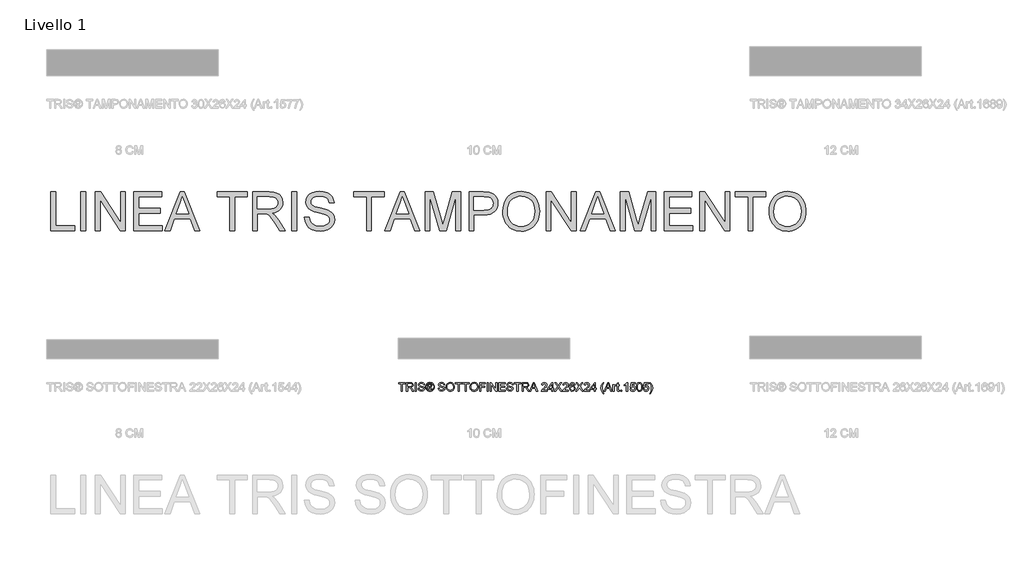
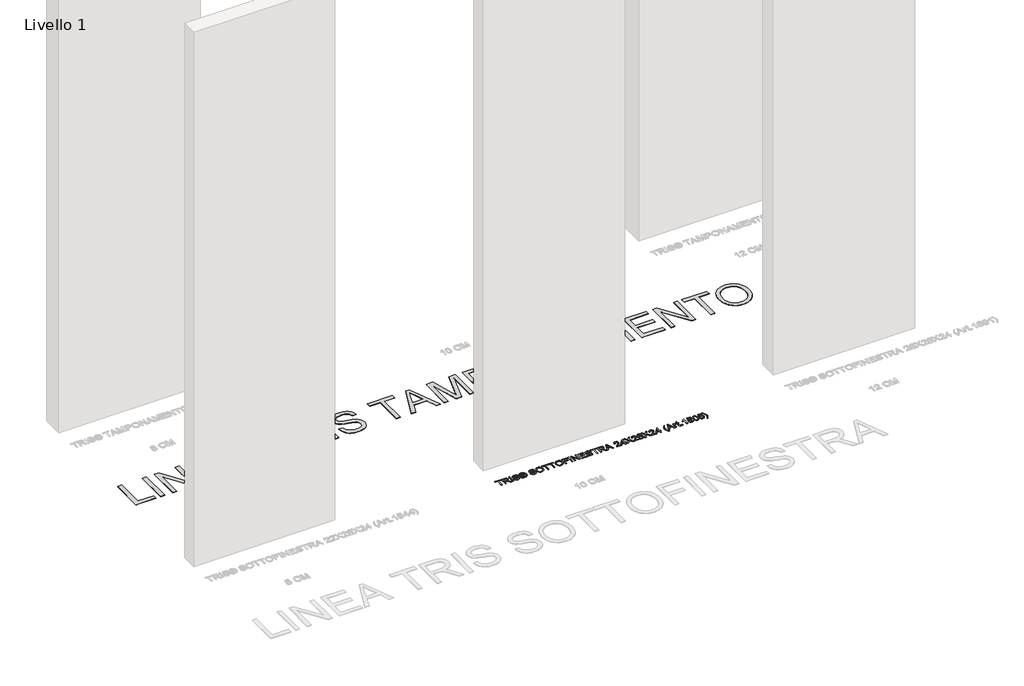
# One storey, part 7 of 16: 2 proxies.
"""IFC4 building model written with IfcOpenShell, lengths in millimetres."""

from ifc_helpers import new_model, si_unit, origin, origin_with_axes, place, context, project, spatial, polyline, outline, extrude, element, save

model = new_model("IFC4")

# Units and contexts
model_context = context("Model", 3, world=origin())
ifc_project = project(units=[si_unit("LENGTHUNIT", "METRE", prefix="MILLI")], contexts=[model_context])

# Site, building, storey
site = spatial("IfcSite", under=ifc_project)
building = spatial("IfcBuilding", under=site)
storey = spatial("IfcBuildingStorey", under=building, Name="Livello 1", Elevation=0.0)

# Proxies
placement = place(None, origin())
element("IfcBuildingElementProxy", 1, Name="100", ObjectType="100", at=placement, inside=storey, context=model_context, shape_type="SweptSolid", body=[
    extrude(outline(polyline([(-1474.7353997, 1459.0708569), (-1474.7353997, 1546.9701283), (-1507.6976265, 1546.9701283), (-1507.6976265, 1559.527167), (-1429.2161342, 1559.527167), (-1429.2161342, 1546.9701283), (-1462.1783609, 1546.9701283), (-1462.1783609, 1459.0708569), (-1474.7353997, 1459.0708569)])), origin_with_axes(), (0.0, 0.0, 1.0), 5.0),
    extrude(outline(polyline([(-1415.0894655, 1459.0708569), (-1415.0894655, 1559.527167), (-1371.8020174, 1559.527167), (-1351.7033978, 1556.817103), (-1340.7159888, 1547.2276457), (-1336.6079732, 1532.0341193), (-1338.3094275, 1522.1380936), (-1343.4137901, 1513.9343251), (-1352.0743454, 1507.9194545), (-1364.4443775, 1504.5901224), (-1357.3074668, 1499.2190453), (-1347.1293983, 1486.2941245), (-1330.3785048, 1459.0708569), (-1344.9711573, 1459.0708569), (-1358.0432308, 1479.8929778), (-1367.4855354, 1493.6762899), (-1374.119674, 1500.1878012), (-1380.0916251, 1502.5790342), (-1387.3756886, 1503.0204926), (-1402.5324268, 1503.0204926), (-1402.5324268, 1459.0708569), (-1415.0894655, 1459.0708569)]), holes=[polyline([(-1402.5324268, 1515.5775314), (-1374.4262423, 1515.5775314), (-1360.0911073, 1517.3556277), (-1351.9486524, 1523.0455359), (-1349.165012, 1531.5681354), (-1354.4747755, 1542.6291207), (-1371.2624572, 1546.9701283), (-1402.5324268, 1546.9701283), (-1402.5324268, 1515.5775314)])]), origin_with_axes(), (0.0, 0.0, 1.0), 5.0),
    extrude(outline(polyline([(-1313.0635255, 1459.0708569), (-1313.0635255, 1559.527167), (-1300.5064868, 1559.527167), (-1300.5064868, 1459.0708569), (-1313.0635255, 1459.0708569)])), origin_with_axes(), (0.0, 0.0, 1.0), 5.0),
    extrude(outline(polyline([(-1280.1012988, 1493.6027135), (-1267.54426, 1493.6027135), (-1263.4975581, 1481.033412), (-1253.6137951, 1473.0871609), (-1238.5551588, 1470.0582658), (-1225.4340343, 1472.3513969), (-1216.9604857, 1478.6544418), (-1214.1768452, 1487.0789395), (-1216.2615099, 1494.914826), (-1224.7963722, 1500.6169969), (-1243.0801073, 1505.4117256), (-1262.7617941, 1511.6044058), (-1273.4426347, 1520.9486085), (-1276.9620391, 1533.4320709), (-1272.6087688, 1547.6445786), (-1259.8923145, 1557.6754943), (-1241.2774856, 1561.0967969), (-1221.4118578, 1557.5160788), (-1208.168106, 1546.9946537), (-1203.1894363, 1531.2738298), (-1215.7464751, 1531.2738298), (-1218.0518689, 1538.7663598), (-1222.8588603, 1544.1742251), (-1240.7869762, 1548.5397581), (-1258.7641431, 1544.2232761), (-1264.4050003, 1533.7999529), (-1260.4073493, 1525.0934123), (-1239.9040594, 1518.0791289), (-1217.6839869, 1511.7760841), (-1205.5316184, 1501.5980155), (-1201.6198065, 1487.3977705), (-1206.1202295, 1472.3759224), (-1219.0696758, 1461.4130389), (-1238.0646495, 1457.5012271), (-1260.4931884, 1461.7196073), (-1274.6811707, 1474.4237988), (-1280.1012988, 1493.6027135)])), origin_with_axes(), (0.0, 0.0, 1.0), 5.0),
    extrude(outline(polyline([(-1165.51832, 1477.9064151), (-1165.51832, 1540.6916089), (-1145.2357593, 1540.6916089), (-1130.177123, 1538.9625635), (-1122.7581694, 1532.9292988), (-1119.9990545, 1523.7690371), (-1124.7569949, 1511.8496605), (-1137.3630846, 1506.1597523), (-1132.4579914, 1502.8242889), (-1123.8986036, 1490.2917756), (-1116.8597948, 1477.9064151), (-1127.4547962, 1477.9064151), (-1132.9730262, 1487.8637544), (-1142.219127, 1502.2847286), (-1150.2389545, 1504.5901224), (-1156.1005409, 1504.5901224), (-1156.1005409, 1477.9064151), (-1165.51832, 1477.9064151)]), holes=[polyline([(-1156.1005409, 1514.0079015), (-1144.1811643, 1514.0079015), (-1132.5315678, 1516.3991345), (-1129.4168336, 1522.7389675), (-1130.912887, 1527.3007043), (-1135.0699535, 1530.2928112), (-1144.9414537, 1531.2738298), (-1156.1005409, 1531.2738298), (-1156.1005409, 1514.0079015)])]), origin_with_axes(), (0.0, 0.0, 1.0), 5.0),
    extrude(outline(polyline([(-1141.9493469, 1561.0967969), (-1129.0550829, 1559.4229338), (-1116.4673873, 1554.4013446), (-1105.4094677, 1546.2650211), (-1097.1045316, 1535.2469554), (-1091.9081985, 1522.5243697), (-1090.1760874, 1509.2744865), (-1091.883673, 1496.1410993), (-1097.0064298, 1483.5227468), (-1105.2101983, 1472.544535), (-1116.160819, 1464.3315694), (-1128.7699744, 1459.2088126), (-1141.9493469, 1457.5012271), (-1155.1103252, 1459.2088126), (-1167.7133493, 1464.3315694), (-1178.673167, 1472.544535), (-1186.9045267, 1483.5227468), (-1192.0548746, 1496.1410993), (-1193.7716572, 1509.2744865), (-1192.0303491, 1522.5243697), (-1186.8064248, 1535.2469554), (-1178.4738976, 1546.2650211), (-1167.4067809, 1554.4013446), (-1154.8252167, 1559.4229338), (-1141.9493469, 1561.0967969)]), holes=[polyline([(-1141.9493469, 1551.6790178), (-1162.7714678, 1546.1975761), (-1171.7999051, 1539.5358463), (-1178.6271818, 1530.5135404), (-1184.3538782, 1509.2744865), (-1178.7375464, 1488.2193737), (-1163.0167224, 1472.5353379), (-1141.9493469, 1466.9190061), (-1120.8697085, 1472.5353379), (-1105.1856728, 1488.2193737), (-1099.5938665, 1509.2744865), (-1105.2837747, 1530.5135404), (-1112.0926573, 1539.5358463), (-1121.1394887, 1546.1975761), (-1141.9493469, 1551.6790178)])]), origin_with_axes(), (0.0, 0.0, 1.0), 5.0),
    extrude(outline(polyline([(-1044.6568219, 1493.6027135), (-1032.0997831, 1493.6027135), (-1028.0530811, 1481.033412), (-1018.1693182, 1473.0871609), (-1003.1106819, 1470.0582658), (-989.9895574, 1472.3513969), (-981.5160088, 1478.6544418), (-978.7323683, 1487.0789395), (-980.817033, 1494.914826), (-989.3518953, 1500.6169969), (-1007.6356304, 1505.4117256), (-1027.3173172, 1511.6044058), (-1037.9981578, 1520.9486085), (-1041.5175622, 1533.4320709), (-1037.1642919, 1547.6445786), (-1024.4478376, 1557.6754943), (-1005.8330086, 1561.0967969), (-985.9673809, 1557.5160788), (-972.7236291, 1546.9946537), (-967.7449594, 1531.2738298), (-980.3019982, 1531.2738298), (-982.607392, 1538.7663598), (-987.4143834, 1544.1742251), (-1005.3424993, 1548.5397581), (-1023.3196661, 1544.2232761), (-1028.9605234, 1533.7999529), (-1024.9628724, 1525.0934123), (-1004.4595825, 1518.0791289), (-982.23951, 1511.7760841), (-970.0871414, 1501.5980155), (-966.1753296, 1487.3977705), (-970.6757526, 1472.3759224), (-983.6251989, 1461.4130389), (-1002.6201725, 1457.5012271), (-1025.0487115, 1461.7196073), (-1039.2366938, 1474.4237988), (-1044.6568219, 1493.6027135)])), origin_with_axes(), (0.0, 0.0, 1.0), 5.0),
    extrude(outline(polyline([(-952.0486609, 1507.9746368), (-948.7009348, 1530.1885779), (-938.6577563, 1546.9946537), (-923.3232085, 1557.5712611), (-904.1013742, 1561.0967969), (-890.9250674, 1559.4413279), (-879.109924, 1554.474921), (-869.2997375, 1546.547064), (-862.1383013, 1536.0072448), (-857.7605056, 1523.3643669), (-856.3012403, 1509.1273337), (-857.8371477, 1494.7002281), (-862.4448697, 1481.8795406), (-869.8699546, 1471.3213273), (-879.8579508, 1463.6816446), (-891.5719266, 1459.0463314), (-904.1749506, 1457.5012271), (-917.5535925, 1459.2088126), (-929.436181, 1464.3315694), (-939.221842, 1472.4065792), (-946.3097018, 1482.9709239), (-952.0486609, 1507.9746368)]), holes=[polyline([(-939.4916222, 1507.8520095), (-936.9808276, 1492.1373169), (-929.4484437, 1480.162758), (-918.1268753, 1472.5843889), (-904.248527, 1470.0582658), (-890.1678437, 1472.6089143), (-878.8278812, 1480.2608598), (-871.3506796, 1492.6033008), (-868.8582791, 1509.2254356), (-873.1257102, 1529.9494546), (-885.5969099, 1543.6714531), (-904.0277978, 1548.5397581), (-917.5351984, 1546.1945104), (-929.019248, 1539.1587672), (-936.8735286, 1526.6415824), (-939.4916222, 1507.8520095)])]), origin_with_axes(), (0.0, 0.0, 1.0), 5.0),
    extrude(outline(polyline([(-813.9212345, 1459.0708569), (-813.9212345, 1546.9701283), (-846.8834613, 1546.9701283), (-846.8834613, 1559.527167), (-768.401969, 1559.527167), (-768.401969, 1546.9701283), (-801.3641957, 1546.9701283), (-801.3641957, 1459.0708569), (-813.9212345, 1459.0708569)])), origin_with_axes(), (0.0, 0.0, 1.0), 5.0),
    extrude(outline(polyline([(-729.1612228, 1459.0708569), (-729.1612228, 1546.9701283), (-762.1234496, 1546.9701283), (-762.1234496, 1559.527167), (-683.6419573, 1559.527167), (-683.6419573, 1546.9701283), (-716.604184, 1546.9701283), (-716.604184, 1459.0708569), (-729.1612228, 1459.0708569)])), origin_with_axes(), (0.0, 0.0, 1.0), 5.0),
    extrude(outline(polyline([(-674.2241782, 1507.9746368), (-670.876452, 1530.1885779), (-660.8332736, 1546.9946537), (-645.4987257, 1557.5712611), (-626.2768915, 1561.0967969), (-613.1005847, 1559.4413279), (-601.2854413, 1554.474921), (-591.4752547, 1546.547064), (-584.3138186, 1536.0072448), (-579.9360228, 1523.3643669), (-578.4767576, 1509.1273337), (-580.0126649, 1494.7002281), (-584.6203869, 1481.8795406), (-592.0454718, 1471.3213273), (-602.033468, 1463.6816446), (-613.7474439, 1459.0463314), (-626.3504679, 1457.5012271), (-639.7291098, 1459.2088126), (-651.6116982, 1464.3315694), (-661.3973593, 1472.4065792), (-668.4852191, 1482.9709239), (-674.2241782, 1507.9746368)]), holes=[polyline([(-661.6671394, 1507.8520095), (-659.1563448, 1492.1373169), (-651.6239609, 1480.162758), (-640.3023925, 1472.5843889), (-626.4240443, 1470.0582658), (-612.3433609, 1472.6089143), (-601.0033984, 1480.2608598), (-593.5261969, 1492.6033008), (-591.0337963, 1509.2254356), (-595.3012275, 1529.9494546), (-607.7724271, 1543.6714531), (-626.2033151, 1548.5397581), (-639.7107157, 1546.1945104), (-651.1947653, 1539.1587672), (-659.0490459, 1526.6415824), (-661.6671394, 1507.8520095)])]), origin_with_axes(), (0.0, 0.0, 1.0), 5.0),
    extrude(outline(polyline([(-561.2108293, 1459.0708569), (-561.2108293, 1559.527167), (-493.7167459, 1559.527167), (-493.7167459, 1546.9701283), (-548.6537905, 1546.9701283), (-548.6537905, 1517.1471612), (-501.5648951, 1517.1471612), (-501.5648951, 1504.5901224), (-548.6537905, 1504.5901224), (-548.6537905, 1459.0708569), (-561.2108293, 1459.0708569)])), origin_with_axes(), (0.0, 0.0, 1.0), 5.0),
    extrude(outline(polyline([(-474.8811877, 1459.0708569), (-474.8811877, 1559.527167), (-462.324149, 1559.527167), (-462.324149, 1459.0708569), (-474.8811877, 1459.0708569)])), origin_with_axes(), (0.0, 0.0, 1.0), 5.0),
    extrude(outline(polyline([(-437.2100714, 1459.0708569), (-437.2100714, 1559.527167), (-423.7701159, 1559.527167), (-371.2856179, 1479.9420288), (-371.2856179, 1559.527167), (-358.7285791, 1559.527167), (-358.7285791, 1459.0708569), (-372.1685347, 1459.0708569), (-424.6530327, 1538.6805207), (-424.6530327, 1459.0708569), (-437.2100714, 1459.0708569)])), origin_with_axes(), (0.0, 0.0, 1.0), 5.0),
    extrude(outline(polyline([(-336.7537613, 1459.0708569), (-336.7537613, 1559.527167), (-264.5507884, 1559.527167), (-264.5507884, 1546.9701283), (-324.1967225, 1546.9701283), (-324.1967225, 1517.1471612), (-267.690048, 1517.1471612), (-267.690048, 1504.5901224), (-324.1967225, 1504.5901224), (-324.1967225, 1471.6278957), (-262.9811585, 1471.6278957), (-262.9811585, 1459.0708569), (-336.7537613, 1459.0708569)])), origin_with_axes(), (0.0, 0.0, 1.0), 5.0),
    extrude(outline(polyline([(-248.8544899, 1493.6027135), (-236.2974511, 1493.6027135), (-232.2507492, 1481.033412), (-222.3669862, 1473.0871609), (-207.3083499, 1470.0582658), (-194.1872254, 1472.3513969), (-185.7136768, 1478.6544418), (-182.9300364, 1487.0789395), (-185.014701, 1494.914826), (-193.5495633, 1500.6169969), (-211.8332984, 1505.4117256), (-231.5149852, 1511.6044058), (-242.1958258, 1520.9486085), (-245.7152302, 1533.4320709), (-241.3619599, 1547.6445786), (-228.6455056, 1557.6754943), (-210.0306767, 1561.0967969), (-190.1650489, 1557.5160788), (-176.9212971, 1546.9946537), (-171.9426274, 1531.2738298), (-184.4996662, 1531.2738298), (-186.80506, 1538.7663598), (-191.6120514, 1544.1742251), (-209.5401673, 1548.5397581), (-227.5173342, 1544.2232761), (-233.1581914, 1533.7999529), (-229.1605404, 1525.0934123), (-208.6572506, 1518.0791289), (-186.437178, 1511.7760841), (-174.2848095, 1501.5980155), (-170.3729976, 1487.3977705), (-174.8734207, 1472.3759224), (-187.8228669, 1461.4130389), (-206.8178406, 1457.5012271), (-229.2463796, 1461.7196073), (-243.4343618, 1474.4237988), (-248.8544899, 1493.6027135)])), origin_with_axes(), (0.0, 0.0, 1.0), 5.0),
    extrude(outline(polyline([(-126.4233619, 1459.0708569), (-126.4233619, 1546.9701283), (-159.3855887, 1546.9701283), (-159.3855887, 1559.527167), (-80.9040964, 1559.527167), (-80.9040964, 1546.9701283), (-113.8663231, 1546.9701283), (-113.8663231, 1459.0708569), (-126.4233619, 1459.0708569)])), origin_with_axes(), (0.0, 0.0, 1.0), 5.0),
    extrude(outline(polyline([(-66.7774278, 1459.0708569), (-66.7774278, 1559.527167), (-23.4899797, 1559.527167), (-3.39136, 1556.817103), (7.5960489, 1547.2276457), (11.7040646, 1532.0341193), (10.0026103, 1522.1380936), (4.8982476, 1513.9343251), (-3.7623077, 1507.9194545), (-16.1323397, 1504.5901224), (-8.995429, 1499.2190453), (1.1826395, 1486.2941245), (17.933533, 1459.0708569), (3.3408805, 1459.0708569), (-9.731193, 1479.8929778), (-19.1734976, 1493.6762899), (-25.8076362, 1500.1878012), (-31.7795873, 1502.5790342), (-39.0636508, 1503.0204926), (-54.220389, 1503.0204926), (-54.220389, 1459.0708569), (-66.7774278, 1459.0708569)]), holes=[polyline([(-54.220389, 1515.5775314), (-26.1142046, 1515.5775314), (-11.7790695, 1517.3556277), (-3.6366146, 1523.0455359), (-0.8529742, 1531.5681354), (-6.1627377, 1542.6291207), (-22.9504194, 1546.9701283), (-54.220389, 1546.9701283), (-54.220389, 1515.5775314)])]), origin_with_axes(), (0.0, 0.0, 1.0), 5.0),
    extrude(outline(polyline([(21.980235, 1459.0708569), (62.0793724, 1559.527167), (72.7724758, 1559.527167), (112.8716132, 1459.0708569), (99.6033359, 1459.0708569), (88.1008922, 1490.4634538), (46.7264305, 1490.4634538), (35.2485122, 1459.0708569), (21.980235, 1459.0708569)]), holes=[polyline([(51.3372182, 1503.0204926), (83.51463, 1503.0204926), (74.4647329, 1527.7176372), (67.4259241, 1546.9701283), (61.1719302, 1529.8758782), (51.3372182, 1503.0204926)])]), origin_with_axes(), (0.0, 0.0, 1.0), 5.0),
    extrude(outline(polyline([(225.1737236, 1471.6278957), (225.1737236, 1459.0708569), (159.2492701, 1459.0708569), (160.5981707, 1467.7283465), (168.2255908, 1481.0579375), (183.9464147, 1495.6138018), (205.6269269, 1516.5340245), (211.047055, 1530.758795), (205.9334953, 1542.2735015), (192.5793788, 1546.9701283), (178.6611767, 1542.3838661), (173.3759387, 1529.7042), (160.8188999, 1531.2738298), (163.8631234, 1543.420067), (170.4451455, 1552.2921545), (180.2216095, 1557.7184139), (192.849159, 1559.527167), (205.568679, 1557.5160788), (215.3267489, 1551.4828141), (221.5347576, 1542.4697052), (223.6040938, 1531.5190845), (221.3722763, 1519.6119706), (213.9533228, 1507.3001865), (195.9638932, 1490.0955718), (181.5183935, 1478.0167797), (175.8530108, 1471.6278957), (225.1737236, 1471.6278957)])), origin_with_axes(), (0.0, 0.0, 1.0), 5.0),
    extrude(outline(polyline([(278.5411384, 1459.0708569), (278.5411384, 1482.6153046), (233.0218729, 1482.6153046), (233.0218729, 1495.1723434), (281.6803981, 1557.9575372), (291.0981772, 1557.9575372), (291.0981772, 1495.1723434), (303.6552159, 1495.1723434), (303.6552159, 1482.6153046), (291.0981772, 1482.6153046), (291.0981772, 1459.0708569), (278.5411384, 1459.0708569)]), holes=[polyline([(278.5411384, 1495.1723434), (278.5411384, 1533.9716311), (248.4729166, 1495.1723434), (278.5411384, 1495.1723434)])]), origin_with_axes(), (0.0, 0.0, 1.0), 5.0),
    extrude(outline(polyline([(308.3641055, 1459.0708569), (347.0898168, 1513.8116978), (314.6426248, 1559.527167), (329.7012612, 1559.527167), (347.9727336, 1533.7999529), (354.1286257, 1523.7690371), (361.3391128, 1533.9716311), (379.4143815, 1559.527167), (394.693747, 1559.527167), (362.246555, 1513.664545), (400.9722664, 1459.0708569), (385.91363, 1459.0708569), (360.1128395, 1495.466649), (354.7417623, 1503.0204926), (348.8311249, 1494.730885), (323.643471, 1459.0708569), (308.3641055, 1459.0708569)])), origin_with_axes(), (0.0, 0.0, 1.0), 5.0),
    extrude(outline(polyline([(473.1752393, 1471.6278957), (473.1752393, 1459.0708569), (407.2507858, 1459.0708569), (408.5996864, 1467.7283465), (416.2271065, 1481.0579375), (431.9479304, 1495.6138018), (453.6284426, 1516.5340245), (459.0485707, 1530.758795), (453.935011, 1542.2735015), (440.5808945, 1546.9701283), (426.6626924, 1542.3838661), (421.3774544, 1529.7042), (408.8204156, 1531.2738298), (411.8646391, 1543.420067), (418.4466612, 1552.2921545), (428.2231252, 1557.7184139), (440.8506747, 1559.527167), (453.5701946, 1557.5160788), (463.3282646, 1551.4828141), (469.5362732, 1542.4697052), (471.6056095, 1531.5190845), (469.373792, 1519.6119706), (461.9548385, 1507.3001865), (443.9654089, 1490.0955718), (429.5199092, 1478.0167797), (423.8545265, 1471.6278957), (473.1752393, 1471.6278957)])), origin_with_axes(), (0.0, 0.0, 1.0), 5.0),
    extrude(outline(polyline([(550.0871018, 1532.8434597), (537.530063, 1531.2738298), (532.7721225, 1541.7462039), (520.1905583, 1546.9701283), (508.8597928, 1543.9289705), (500.2881423, 1532.5123659), (496.719687, 1510.1328778), (507.792935, 1520.1515308), (521.5149335, 1523.4256806), (533.1154791, 1521.1877318), (542.8520892, 1514.4738854), (549.455571, 1504.2161091), (551.6567316, 1491.3463706), (547.5119278, 1474.0191286), (536.1075859, 1461.7563955), (519.650998, 1457.5012271), (505.4047678, 1460.3216557), (494.0586739, 1468.7829416), (486.6366546, 1483.7189506), (484.1626482, 1505.9635486), (486.9095005, 1530.9733929), (495.1500571, 1548.0737743), (506.4011148, 1556.6638189), (520.9753732, 1559.527167), (531.993439, 1557.7552021), (540.8164755, 1552.4393073), (546.996893, 1543.9964155), (550.0871018, 1532.8434597)]), holes=[polyline([(496.719687, 1491.5425743), (499.6259548, 1480.66553), (507.3514767, 1472.7683299), (518.6699794, 1470.0582658), (526.9565213, 1471.4623488), (533.4710983, 1475.6745976), (537.6925442, 1482.2964735), (539.0996928, 1490.9294377), (537.7109383, 1499.2159796), (533.5446747, 1505.5343529), (526.9197331, 1509.5350696), (518.1549446, 1510.8686418), (502.9614182, 1505.5343529), (498.2801198, 1499.3692638), (496.719687, 1491.5425743)])]), origin_with_axes(), (0.0, 0.0, 1.0), 5.0),
    extrude(outline(polyline([(556.3656211, 1459.0708569), (595.0913325, 1513.8116978), (562.6441405, 1559.527167), (577.7027769, 1559.527167), (595.9742493, 1533.7999529), (602.1301413, 1523.7690371), (609.3406285, 1533.9716311), (627.4158971, 1559.527167), (642.6952627, 1559.527167), (610.2480707, 1513.664545), (648.9737821, 1459.0708569), (633.9151457, 1459.0708569), (608.1143551, 1495.466649), (602.743278, 1503.0204926), (596.8326406, 1494.730885), (571.6449867, 1459.0708569), (556.3656211, 1459.0708569)])), origin_with_axes(), (0.0, 0.0, 1.0), 5.0),
    extrude(outline(polyline([(721.176755, 1471.6278957), (721.176755, 1459.0708569), (655.2523014, 1459.0708569), (656.6012021, 1467.7283465), (664.2286221, 1481.0579375), (679.9494461, 1495.6138018), (701.6299583, 1516.5340245), (707.0500864, 1530.758795), (701.9365266, 1542.2735015), (688.5824102, 1546.9701283), (674.6642081, 1542.3838661), (669.3789701, 1529.7042), (656.8219313, 1531.2738298), (659.8661548, 1543.420067), (666.4481768, 1552.2921545), (676.2246409, 1557.7184139), (688.8521903, 1559.527167), (701.5717103, 1557.5160788), (711.3297802, 1551.4828141), (717.5377889, 1542.4697052), (719.6071251, 1531.5190845), (717.3753077, 1519.6119706), (709.9563541, 1507.3001865), (691.9669246, 1490.0955718), (677.5214249, 1478.0167797), (671.8560422, 1471.6278957), (721.176755, 1471.6278957)])), origin_with_axes(), (0.0, 0.0, 1.0), 5.0),
    extrude(outline(polyline([(774.5441698, 1459.0708569), (774.5441698, 1482.6153046), (729.0249042, 1482.6153046), (729.0249042, 1495.1723434), (777.6834294, 1557.9575372), (787.1012085, 1557.9575372), (787.1012085, 1495.1723434), (799.6582473, 1495.1723434), (799.6582473, 1482.6153046), (787.1012085, 1482.6153046), (787.1012085, 1459.0708569), (774.5441698, 1459.0708569)]), holes=[polyline([(774.5441698, 1495.1723434), (774.5441698, 1533.9716311), (744.475948, 1495.1723434), (774.5441698, 1495.1723434)])]), origin_with_axes(), (0.0, 0.0, 1.0), 5.0),
    extrude(outline(polyline([(878.1397396, 1430.8175197), (860.3097256, 1460.2726048), (854.8466779, 1477.4526939), (853.0256621, 1495.2459198), (858.4703156, 1525.7801254), (878.1397396, 1559.527167), (887.5575187, 1559.527167), (875.8098203, 1539.6370138), (868.746486, 1520.3599973), (865.5827008, 1495.1723434), (871.0764053, 1462.9826688), (887.5575187, 1430.8175197), (878.1397396, 1430.8175197)])), origin_with_axes(), (0.0, 0.0, 1.0), 5.0),
    extrude(outline(polyline([(889.9855398, 1459.0708569), (930.0846773, 1559.527167), (940.7777806, 1559.527167), (980.8769181, 1459.0708569), (967.6086408, 1459.0708569), (956.1061971, 1490.4634538), (914.7317354, 1490.4634538), (903.2538171, 1459.0708569), (889.9855398, 1459.0708569)]), holes=[polyline([(919.3425231, 1503.0204926), (951.5199349, 1503.0204926), (942.4700378, 1527.7176372), (935.431229, 1546.9701283), (929.1772351, 1529.8758782), (919.3425231, 1503.0204926)])]), origin_with_axes(), (0.0, 0.0, 1.0), 5.0),
    extrude(outline(polyline([(992.7227184, 1459.0708569), (992.7227184, 1532.8434597), (1003.7101273, 1532.8434597), (1003.7101273, 1521.9296271), (1011.5092256, 1531.9850683), (1019.3573748, 1534.4130895), (1031.9634645, 1530.5380658), (1027.7696098, 1519.2808768), (1018.9404419, 1521.8560507), (1011.8403194, 1519.3789786), (1007.3153708, 1512.5118481), (1005.2797571, 1497.8456192), (1005.2797571, 1459.0708569), (992.7227184, 1459.0708569)])), origin_with_axes(), (0.0, 0.0, 1.0), 5.0),
    extrude(outline(polyline([(1066.4953211, 1469.543231), (1068.064951, 1458.7029749), (1058.6716974, 1457.5012271), (1048.1502723, 1459.5858917), (1042.9018225, 1465.0550707), (1041.3812436, 1479.3043666), (1041.3812436, 1520.2864209), (1031.9634645, 1520.2864209), (1031.9634645, 1532.8434597), (1041.3812436, 1532.8434597), (1041.3812436, 1550.7715756), (1053.9382824, 1558.1537409), (1053.9382824, 1532.8434597), (1066.4953211, 1532.8434597), (1066.4953211, 1520.2864209), (1053.9382824, 1520.2864209), (1053.9382824, 1479.6722486), (1054.6004699, 1473.1975255), (1056.7464483, 1470.9043944), (1061.0261421, 1470.0582658), (1066.4953211, 1469.543231)])), origin_with_axes(), (0.0, 0.0, 1.0), 5.0),
    extrude(outline(polyline([(1082.1916196, 1459.0708569), (1082.1916196, 1471.6278957), (1094.7486584, 1471.6278957), (1094.7486584, 1459.0708569), (1082.1916196, 1459.0708569)])), origin_with_axes(), (0.0, 0.0, 1.0), 5.0),
    extrude(outline(polyline([(1162.2427417, 1459.0708569), (1149.685703, 1459.0708569), (1149.685703, 1537.3561455), (1137.7908518, 1528.8825969), (1124.5716254, 1522.5427638), (1124.5716254, 1534.4130895), (1142.9779879, 1546.1607879), (1154.1493378, 1559.527167), (1162.2427417, 1559.527167), (1162.2427417, 1459.0708569)])), origin_with_axes(), (0.0, 0.0, 1.0), 5.0),
    extrude(outline(polyline([(1192.0657088, 1485.7545643), (1204.6227476, 1487.3241941), (1210.9503179, 1474.3870106), (1224.0714424, 1470.0582658), (1233.0722885, 1471.5635163), (1239.8167918, 1476.0792678), (1244.0290406, 1483.0843541), (1245.4331236, 1492.0576091), (1240.172411, 1506.9690927), (1233.5658636, 1511.0709769), (1224.2676461, 1512.4382717), (1213.243449, 1510.2555052), (1206.1923774, 1504.5901224), (1193.6353387, 1506.1597523), (1204.6227476, 1557.9575372), (1253.2812728, 1557.9575372), (1253.2812728, 1545.4004984), (1214.7762906, 1545.4004984), (1209.4052135, 1517.7357724), (1218.3754028, 1523.1804259), (1227.7747878, 1524.9953104), (1239.5071578, 1522.7450989), (1249.2468336, 1515.9944643), (1255.8043302, 1505.7060312), (1257.9901623, 1492.8424241), (1256.0219937, 1480.2853853), (1250.1174877, 1469.543231), (1238.8112477, 1460.511728), (1224.0223915, 1457.5012271), (1211.6891476, 1459.4356732), (1201.8636326, 1465.2390117), (1195.1283264, 1474.2367922), (1192.0657088, 1485.7545643)])), origin_with_axes(), (0.0, 0.0, 1.0), 5.0),
    extrude(outline(polyline([(1268.9775713, 1508.4896716), (1272.668654, 1537.3929337), (1283.6315374, 1554.0579881), (1301.939798, 1559.527167), (1316.6060269, 1556.2898055), (1326.7350445, 1546.9578655), (1332.6211564, 1532.0954329), (1334.9020248, 1508.4896716), (1331.2477303, 1479.7090368), (1320.3216351, 1463.0071942), (1312.0902754, 1458.8777189), (1301.939798, 1457.5012271), (1288.8922499, 1459.89246), (1278.9839615, 1467.0661589), (1271.4791688, 1484.0561757), (1268.9775713, 1508.4896716)]), holes=[polyline([(1281.53461, 1508.5141971), (1283.006138, 1488.7619996), (1287.420722, 1477.3300666), (1293.9935469, 1471.876216), (1301.939798, 1470.0582658), (1309.8860491, 1471.8823474), (1316.4588741, 1477.3545921), (1320.8734581, 1488.7926564), (1322.344986, 1508.5141971), (1320.922509, 1527.8218704), (1316.6550778, 1539.3427082), (1310.0945156, 1545.0632733), (1301.7926452, 1546.9701283), (1293.9322333, 1545.2901338), (1287.6169257, 1540.2501505), (1283.055189, 1528.0119428), (1281.53461, 1508.5141971)])]), origin_with_axes(), (0.0, 0.0, 1.0), 5.0),
    extrude(outline(polyline([(1345.8894337, 1485.7545643), (1358.4464725, 1487.3241941), (1364.7740428, 1474.3870106), (1377.8951673, 1470.0582658), (1386.8960135, 1471.5635163), (1393.6405167, 1476.0792678), (1397.8527655, 1483.0843541), (1399.2568485, 1492.0576091), (1393.996136, 1506.9690927), (1387.3895885, 1511.0709769), (1378.091371, 1512.4382717), (1367.0671739, 1510.2555052), (1360.0161023, 1504.5901224), (1347.4590636, 1506.1597523), (1358.4464725, 1557.9575372), (1407.1049977, 1557.9575372), (1407.1049977, 1545.4004984), (1368.6000156, 1545.4004984), (1363.2289384, 1517.7357724), (1372.1991277, 1523.1804259), (1381.5985127, 1524.9953104), (1393.3308827, 1522.7450989), (1403.0705585, 1515.9944643), (1409.6280551, 1505.7060312), (1411.8138873, 1492.8424241), (1409.8457186, 1480.2853853), (1403.9412126, 1469.543231), (1392.6349726, 1460.511728), (1377.8461164, 1457.5012271), (1365.5128725, 1459.4356732), (1355.6873575, 1465.2390117), (1348.9520513, 1474.2367922), (1345.8894337, 1485.7545643)])), origin_with_axes(), (0.0, 0.0, 1.0), 5.0),
    extrude(outline(polyline([(1429.0798156, 1430.8175197), (1419.6620365, 1430.8175197), (1436.1431499, 1462.9826688), (1441.6368543, 1495.1723434), (1438.4730692, 1520.1392681), (1431.4833113, 1539.4408101), (1419.6620365, 1559.527167), (1429.0798156, 1559.527167), (1448.7492396, 1525.7801254), (1454.1938931, 1495.2459198), (1452.3636802, 1477.4526939), (1446.8730414, 1460.2726048), (1429.0798156, 1430.8175197)])), origin_with_axes(), (0.0, 0.0, 1.0), 5.0),
])
element("IfcBuildingElementProxy", 2, Name="450mm", ObjectType="450mm", at=placement, inside=storey, context=model_context, shape_type="SweptSolid", body=[
    extrude(outline(polyline([(-5561.6557455, 3331.1409688), (-5561.6557455, 3780.7971116), (-5505.4487277, 3780.7971116), (-5505.4487277, 3387.3479867), (-5280.6206563, 3387.3479867), (-5280.6206563, 3331.1409688), (-5561.6557455, 3331.1409688)])), origin_with_axes(), (0.0, 0.0, 1.0), 5.0),
    extrude(outline(polyline([(-5210.361884, 3331.1409688), (-5210.361884, 3780.7971116), (-5154.1548661, 3780.7971116), (-5154.1548661, 3331.1409688), (-5210.361884, 3331.1409688)])), origin_with_axes(), (0.0, 0.0, 1.0), 5.0),
    extrude(outline(polyline([(-5041.7408304, 3331.1409688), (-5041.7408304, 3780.7971116), (-4981.5817566, 3780.7971116), (-4746.6539867, 3424.5631801), (-4746.6539867, 3780.7971116), (-4690.4469688, 3780.7971116), (-4690.4469688, 3331.1409688), (-4750.6060426, 3331.1409688), (-4985.5338125, 3687.4846796), (-4985.5338125, 3331.1409688), (-5041.7408304, 3331.1409688)])), origin_with_axes(), (0.0, 0.0, 1.0), 5.0),
    extrude(outline(polyline([(-4592.0846876, 3331.1409688), (-4592.0846876, 3780.7971116), (-4268.8943349, 3780.7971116), (-4268.8943349, 3724.5900938), (-4535.8776697, 3724.5900938), (-4535.8776697, 3591.0984264), (-4282.9460894, 3591.0984264), (-4282.9460894, 3534.8914085), (-4535.8776697, 3534.8914085), (-4535.8776697, 3387.3479867), (-4261.8684577, 3387.3479867), (-4261.8684577, 3331.1409688), (-4592.0846876, 3331.1409688)])), origin_with_axes(), (0.0, 0.0, 1.0), 5.0),
    extrude(outline(polyline([(-4229.9226722, 3331.1409688), (-4050.4334648, 3780.7971116), (-4002.5696761, 3780.7971116), (-3823.0804687, 3331.1409688), (-3882.4710872, 3331.1409688), (-3933.9575938, 3471.6585134), (-4119.1553264, 3471.6585134), (-4170.5320537, 3331.1409688), (-4229.9226722, 3331.1409688)]), holes=[polyline([(-4098.5168121, 3527.8655313), (-3954.4863288, 3527.8655313), (-3994.9949022, 3638.4133183), (-4026.5015704, 3724.5900938), (-4054.4953, 3648.0738995), (-4098.5168121, 3527.8655313)])]), origin_with_axes(), (0.0, 0.0, 1.0), 5.0),
    extrude(outline(polyline([(-3474.9702078, 3331.1409688), (-3474.9702078, 3724.5900938), (-3622.5136296, 3724.5900938), (-3622.5136296, 3780.7971116), (-3271.2197681, 3780.7971116), (-3271.2197681, 3724.5900938), (-3418.7631899, 3724.5900938), (-3418.7631899, 3331.1409688), (-3474.9702078, 3331.1409688)])), origin_with_axes(), (0.0, 0.0, 1.0), 5.0),
    extrude(outline(polyline([(-3207.986873, 3331.1409688), (-3207.986873, 3780.7971116), (-3014.2263524, 3780.7971116), (-2962.149782, 3777.7644576), (-2924.2621901, 3768.6664955), (-2896.5703537, 3751.8702577), (-2875.0810495, 3725.7427767), (-2861.2900209, 3693.3441515), (-2856.6930114, 3657.7344807), (-2858.5969967, 3634.6396538), (-2864.3089525, 3613.4385204), (-2873.828879, 3594.1310804), (-2887.156776, 3576.7173339), (-2904.4641737, 3561.7530387), (-2925.9226025, 3549.7939528), (-2951.5320622, 3540.8400761), (-2981.2925529, 3534.8914085), (-2949.3467674, 3510.8497349), (-2903.7883447, 3452.996027), (-2828.8090611, 3331.1409688), (-2894.1277635, 3331.1409688), (-2952.6401473, 3424.3436214), (-2994.9051901, 3486.0396059), (-3010.6173569, 3504.0296939), (-3024.6004993, 3515.1860185), (-3051.3317666, 3525.8895033), (-3083.9362281, 3527.8655313), (-3151.7798551, 3527.8655313), (-3151.7798551, 3331.1409688), (-3207.986873, 3331.1409688)]), holes=[polyline([(-3151.7798551, 3584.0725491), (-3025.9727409, 3584.0725491), (-2989.8416184, 3586.0622995), (-2961.8067215, 3592.0315507), (-2940.701645, 3602.3782527), (-2925.3599834, 3617.5003557), (-2916.0150178, 3635.7923368), (-2912.9000292, 3655.6486734), (-2914.3854808, 3670.0229047), (-2918.8418356, 3683.0660615), (-2936.6672546, 3705.159152), (-2950.2764611, 3713.660189), (-2967.3368554, 3719.7323583), (-3011.8112071, 3724.5900938), (-3151.7798551, 3724.5900938), (-3151.7798551, 3584.0725491)])]), origin_with_axes(), (0.0, 0.0, 1.0), 5.0),
    extrude(outline(polyline([(-2751.3048529, 3331.1409688), (-2751.3048529, 3780.7971116), (-2695.0978351, 3780.7971116), (-2695.0978351, 3331.1409688), (-2751.3048529, 3331.1409688)])), origin_with_axes(), (0.0, 0.0, 1.0), 5.0),
    extrude(outline(polyline([(-2603.7614311, 3485.7102679), (-2547.5544132, 3485.7102679), (-2541.1048775, 3454.5192153), (-2529.4408235, 3429.4483604), (-2511.2448992, 3409.5508565), (-2485.1997528, 3393.8798569), (-2453.3637466, 3383.7115463), (-2417.7952431, 3380.3221094), (-2386.4806887, 3382.8882013), (-2359.0633006, 3390.5864769), (-2336.8467083, 3402.7719828), (-2321.1345415, 3418.7997652), (-2311.7895759, 3437.2015257), (-2308.6745873, 3456.5089656), (-2311.0073981, 3475.3223986), (-2318.0058305, 3491.5834621), (-2332.222254, 3505.4568252), (-2356.209038, 3517.1071568), (-2438.0495298, 3538.5690161), (-2491.7727903, 3552.7717172), (-2526.1474435, 3566.2882974), (-2554.1274507, 3585.1977873), (-2573.9563425, 3608.1142228), (-2585.7713431, 3634.5435969), (-2589.7096766, 3663.9919026), (-2584.8382188, 3696.9119797), (-2570.2238452, 3727.6090254), (-2546.2507836, 3753.626727), (-2513.3032617, 3772.5087721), (-2473.7552574, 3783.9944347), (-2429.9807489, 3787.8229888), (-2382.5560776, 3783.8160432), (-2341.0594902, 3771.7952064), (-2306.9730077, 3752.0074819), (-2281.7786511, 3724.6998731), (-2265.8332031, 3691.5739597), (-2259.4934467, 3654.3313214), (-2315.7004646, 3654.3313214), (-2319.4604067, 3672.2665198), (-2326.0197218, 3687.8689073), (-2335.3784098, 3701.138484), (-2347.5364708, 3712.0752499), (-2362.7203246, 3720.6243154), (-2381.1563911, 3726.7307907), (-2427.7851623, 3731.615971), (-2475.5117268, 3726.7856804), (-2493.7556794, 3720.7478172), (-2508.2534124, 3712.2948086), (-2527.1903472, 3690.9701734), (-2531.9245809, 3678.8052512), (-2533.5026587, 3665.6385926), (-2529.029151, 3644.0395091), (-2515.6086277, 3626.6669299), (-2483.8824008, 3611.1331544), (-2423.8331063, 3595.270041), (-2361.8626736, 3580.2028277), (-2324.3730318, 3567.0567527), (-2292.3311893, 3546.6652418), (-2269.9773729, 3521.49833), (-2256.8450203, 3491.8304656), (-2252.4675695, 3457.936097), (-2257.5036963, 3423.2869954), (-2272.6120769, 3390.6962563), (-2297.1752023, 3362.647637), (-2330.575564, 3341.624895), (-2370.741077, 3328.4925424), (-2415.5996565, 3324.1150916), (-2470.6677137, 3328.8356028), (-2515.9928553, 3342.9971366), (-2535.1321957, 3353.6320094), (-2552.0965331, 3366.6545826), (-2566.8858674, 3382.0648563), (-2579.5001987, 3399.8628305), (-2597.0923367, 3440.3165142), (-2603.7614311, 3485.7102679)])), origin_with_axes(), (0.0, 0.0, 1.0), 5.0),
    extrude(outline(polyline([(-1880.0960762, 3331.1409688), (-1880.0960762, 3724.5900938), (-2027.6394981, 3724.5900938), (-2027.6394981, 3780.7971116), (-1676.3456365, 3780.7971116), (-1676.3456365, 3724.5900938), (-1823.8890584, 3724.5900938), (-1823.8890584, 3331.1409688), (-1880.0960762, 3331.1409688)])), origin_with_axes(), (0.0, 0.0, 1.0), 5.0),
    extrude(outline(polyline([(-1665.4774827, 3331.1409688), (-1485.9882753, 3780.7971116), (-1438.1244866, 3780.7971116), (-1258.6352792, 3331.1409688), (-1318.0258977, 3331.1409688), (-1369.5124043, 3471.6585134), (-1554.7101369, 3471.6585134), (-1606.0868642, 3331.1409688), (-1665.4774827, 3331.1409688)]), holes=[polyline([(-1534.0716226, 3527.8655313), (-1390.0411393, 3527.8655313), (-1430.5497127, 3638.4133183), (-1462.0563809, 3724.5900938), (-1490.0501105, 3648.0738995), (-1534.0716226, 3527.8655313)])]), origin_with_axes(), (0.0, 0.0, 1.0), 5.0),
    extrude(outline(polyline([(-1198.5859848, 3331.1409688), (-1198.5859848, 3780.7971116), (-1101.8703935, 3780.7971116), (-1009.8753135, 3463.8641809), (-991.3226064, 3397.6672438), (-971.2329887, 3469.3531475), (-880.7748194, 3780.7971116), (-784.0592281, 3780.7971116), (-784.0592281, 3331.1409688), (-840.2662459, 3331.1409688), (-840.2662459, 3724.5900938), (-953.2291783, 3331.1409688), (-1029.4160345, 3331.1409688), (-1142.3789669, 3724.5900938), (-1142.3789669, 3331.1409688), (-1198.5859848, 3331.1409688)])), origin_with_axes(), (0.0, 0.0, 1.0), 5.0),
    extrude(outline(polyline([(-685.6969469, 3331.1409688), (-685.6969469, 3780.7971116), (-519.0519213, 3780.7971116), (-451.8669702, 3776.5157177), (-421.9109351, 3768.5155489), (-397.2517527, 3755.4929757), (-377.3954161, 3736.8579341), (-361.8479182, 3712.0203603), (-351.8031094, 3682.7230011), (-348.4548397, 3650.7086035), (-350.7156079, 3623.1059628), (-357.4979122, 3597.7126311), (-368.8017528, 3574.5286085), (-384.6271296, 3553.5538949), (-406.3531454, 3536.1675932), (-435.3589032, 3523.7488063), (-471.644403, 3516.2975342), (-515.2096447, 3513.8137768), (-629.489929, 3513.8137768), (-629.489929, 3331.1409688), (-685.6969469, 3331.1409688)]), holes=[polyline([(-629.489929, 3570.0207947), (-511.9162647, 3570.0207947), (-462.0764481, 3575.1804233), (-443.4962962, 3581.629959), (-429.1426486, 3590.659309), (-418.4323025, 3602.0283311), (-410.7820553, 3615.4968828), (-406.191907, 3631.0649643), (-404.6618576, 3648.7325755), (-408.2708531, 3673.9818218), (-419.0978397, 3695.2790122), (-435.7980206, 3711.3067946), (-457.0265988, 3720.7478172), (-513.2336167, 3724.5900938), (-629.489929, 3724.5900938), (-629.489929, 3570.0207947)])]), origin_with_axes(), (0.0, 0.0, 1.0), 5.0),
    extrude(outline(polyline([(-292.2478219, 3550.0409563), (-288.5016022, 3602.783064), (-277.2629431, 3649.473586), (-258.5318446, 3690.1125224), (-232.3083068, 3724.6998731), (-200.1635462, 3752.3162362), (-163.6687796, 3772.0422099), (-122.824007, 3783.8777941), (-77.6292283, 3787.8229888), (-47.3781612, 3785.9704626), (-18.6502824, 3780.412884), (8.5544083, 3771.1502528), (34.2359107, 3758.1825693), (57.673798, 3741.9009221), (78.1476434, 3722.6964003), (95.6574468, 3700.5690037), (110.2032083, 3675.5187325), (121.6339812, 3648.1150668), (129.798819, 3618.927487), (134.6977217, 3587.955993), (136.3306892, 3555.2005849), (134.6119566, 3522.0129207), (129.4557586, 3490.622893), (120.8620953, 3461.0305019), (108.8309666, 3433.2357473), (93.6471128, 3407.9727786), (75.5952739, 3385.975745), (54.67545, 3367.2446465), (30.8876411, 3351.7794832), (5.168402, 3339.6763118), (-21.5457122, 3331.0311895), (-49.2547017, 3325.844116), (-77.9585663, 3324.1150916), (-108.7379465, 3326.0259381), (-137.8431918, 3331.7584775), (-165.2743023, 3341.31271), (-191.031278, 3354.6886355), (-214.4417205, 3371.3682327), (-234.8332314, 3390.8334804), (-252.2058106, 3413.0843787), (-266.5594583, 3438.1209276), (-277.7981173, 3464.93796), (-285.825731, 3492.5303089), (-290.6422992, 3520.8979743), (-292.2478219, 3550.0409563)]), holes=[polyline([(-236.040804, 3549.4920596), (-233.2311393, 3512.2288377), (-224.802145, 3479.1509528), (-210.7538211, 3450.2584049), (-191.0861677, 3425.5511941), (-167.1782876, 3405.7634696), (-140.4092837, 3391.6293806), (-110.7791559, 3383.1489272), (-78.2879043, 3380.3221094), (-45.2408949, 3383.176372), (-15.2608455, 3391.7391599), (11.6522438, 3406.010473), (35.498373, 3425.9903114), (55.0219411, 3451.2189741), (68.9673468, 3481.2367601), (77.3345902, 3516.0436695), (80.1236714, 3555.6397022), (75.3482705, 3605.3971843), (61.0220677, 3648.4032375), (37.5155682, 3683.5737909), (5.1992775, 3709.8247736), (-33.7861077, 3726.1681717), (-77.2998903, 3731.615971), (-108.6624732, 3728.9915588), (-137.7608573, 3721.1183224), (-164.5950427, 3707.9962617), (-189.1650294, 3689.6253766), (-209.6731808, 3665.1205714), (-224.3218604, 3633.5967502), (-233.1110681, 3595.0539129), (-236.040804, 3549.4920596)])]), origin_with_axes(), (0.0, 0.0, 1.0), 5.0),
    extrude(outline(polyline([(213.6153388, 3331.1409688), (213.6153388, 3780.7971116), (273.7744126, 3780.7971116), (508.7021825, 3424.5631801), (508.7021825, 3780.7971116), (564.9092004, 3780.7971116), (564.9092004, 3331.1409688), (504.7501266, 3331.1409688), (269.8223566, 3687.4846796), (269.8223566, 3331.1409688), (213.6153388, 3331.1409688)])), origin_with_axes(), (0.0, 0.0, 1.0), 5.0),
    extrude(outline(polyline([(610.9067404, 3331.1409688), (790.3959478, 3780.7971116), (838.2597364, 3780.7971116), (1017.7489438, 3331.1409688), (958.3583253, 3331.1409688), (906.8718187, 3471.6585134), (721.6740861, 3471.6585134), (670.2973588, 3331.1409688), (610.9067404, 3331.1409688)]), holes=[polyline([(742.3126005, 3527.8655313), (886.3430837, 3527.8655313), (845.8345103, 3638.4133183), (814.3278421, 3724.5900938), (786.3341125, 3648.0738995), (742.3126005, 3527.8655313)])]), origin_with_axes(), (0.0, 0.0, 1.0), 5.0),
    extrude(outline(polyline([(1077.7982383, 3331.1409688), (1077.7982383, 3780.7971116), (1174.5138295, 3780.7971116), (1266.5089095, 3463.8641809), (1285.0616166, 3397.6672438), (1305.1512343, 3469.3531475), (1395.6094037, 3780.7971116), (1492.3249949, 3780.7971116), (1492.3249949, 3331.1409688), (1436.1179771, 3331.1409688), (1436.1179771, 3724.5900938), (1323.1550447, 3331.1409688), (1246.9681885, 3331.1409688), (1134.0052561, 3724.5900938), (1134.0052561, 3331.1409688), (1077.7982383, 3331.1409688)])), origin_with_axes(), (0.0, 0.0, 1.0), 5.0),
    extrude(outline(polyline([(1590.6872762, 3331.1409688), (1590.6872762, 3780.7971116), (1913.8776288, 3780.7971116), (1913.8776288, 3724.5900938), (1646.894294, 3724.5900938), (1646.894294, 3591.0984264), (1899.8258743, 3591.0984264), (1899.8258743, 3534.8914085), (1646.894294, 3534.8914085), (1646.894294, 3387.3479867), (1920.903506, 3387.3479867), (1920.903506, 3331.1409688), (1590.6872762, 3331.1409688)])), origin_with_axes(), (0.0, 0.0, 1.0), 5.0),
    extrude(outline(polyline([(2005.2140328, 3331.1409688), (2005.2140328, 3780.7971116), (2065.3731066, 3780.7971116), (2300.3008765, 3424.5631801), (2300.3008765, 3780.7971116), (2356.5078944, 3780.7971116), (2356.5078944, 3331.1409688), (2296.3488206, 3331.1409688), (2061.4210507, 3687.4846796), (2061.4210507, 3331.1409688), (2005.2140328, 3331.1409688)])), origin_with_axes(), (0.0, 0.0, 1.0), 5.0),
    extrude(outline(polyline([(2567.2842113, 3331.1409688), (2567.2842113, 3724.5900938), (2419.7407895, 3724.5900938), (2419.7407895, 3780.7971116), (2771.0346511, 3780.7971116), (2771.0346511, 3724.5900938), (2623.4912292, 3724.5900938), (2623.4912292, 3331.1409688), (2567.2842113, 3331.1409688)])), origin_with_axes(), (0.0, 0.0, 1.0), 5.0),
    extrude(outline(polyline([(2813.1899144, 3550.0409563), (2816.9361341, 3602.783064), (2828.1747932, 3649.473586), (2846.9058917, 3690.1125224), (2873.1294296, 3724.6998731), (2905.2741902, 3752.3162362), (2941.7689567, 3772.0422099), (2982.6137294, 3783.8777941), (3027.808508, 3787.8229888), (3058.0595751, 3785.9704626), (3086.787454, 3780.412884), (3113.9921446, 3771.1502528), (3139.673647, 3758.1825693), (3163.1115344, 3741.9009221), (3183.5853797, 3722.6964003), (3201.0951832, 3700.5690037), (3215.6409446, 3675.5187325), (3227.0717175, 3648.1150668), (3235.2365553, 3618.927487), (3240.135458, 3587.955993), (3241.7684256, 3555.2005849), (3240.0496929, 3522.0129207), (3234.8934949, 3490.622893), (3226.2998316, 3461.0305019), (3214.268703, 3433.2357473), (3199.0848491, 3407.9727786), (3181.0330103, 3385.975745), (3160.1131864, 3367.2446465), (3136.3253774, 3351.7794832), (3110.6061384, 3339.6763118), (3083.8920241, 3331.0311895), (3056.1830347, 3325.844116), (3027.47917, 3324.1150916), (2996.6997899, 3326.0259381), (2967.5945445, 3331.7584775), (2940.163434, 3341.31271), (2914.4064583, 3354.6886355), (2890.9960158, 3371.3682327), (2870.6045049, 3390.8334804), (2853.2319257, 3413.0843787), (2838.8782781, 3438.1209276), (2827.639619, 3464.93796), (2819.6120054, 3492.5303089), (2814.7954372, 3520.8979743), (2813.1899144, 3550.0409563)]), holes=[polyline([(2869.3969323, 3549.4920596), (2872.2065971, 3512.2288377), (2880.6355914, 3479.1509528), (2894.6839152, 3450.2584049), (2914.3515686, 3425.5511941), (2938.2594487, 3405.7634696), (2965.0284527, 3391.6293806), (2994.6585804, 3383.1489272), (3027.149832, 3380.3221094), (3060.1968415, 3383.176372), (3090.1768908, 3391.7391599), (3117.0899801, 3406.010473), (3140.9361094, 3425.9903114), (3160.4596774, 3451.2189741), (3174.4050831, 3481.2367601), (3182.7723266, 3516.0436695), (3185.5614077, 3555.6397022), (3180.7860068, 3605.3971843), (3166.459804, 3648.4032375), (3142.9533046, 3683.5737909), (3110.6370138, 3709.8247736), (3071.6516286, 3726.1681717), (3028.137846, 3731.615971), (2996.7752632, 3728.9915588), (2967.676879, 3721.1183224), (2940.8426936, 3707.9962617), (2916.2727069, 3689.6253766), (2895.7645555, 3665.1205714), (2881.115876, 3633.5967502), (2872.3266682, 3595.0539129), (2869.3969323, 3549.4920596)])]), origin_with_axes(), (0.0, 0.0, 1.0), 5.0),
])

save(model, "model.ifc")
